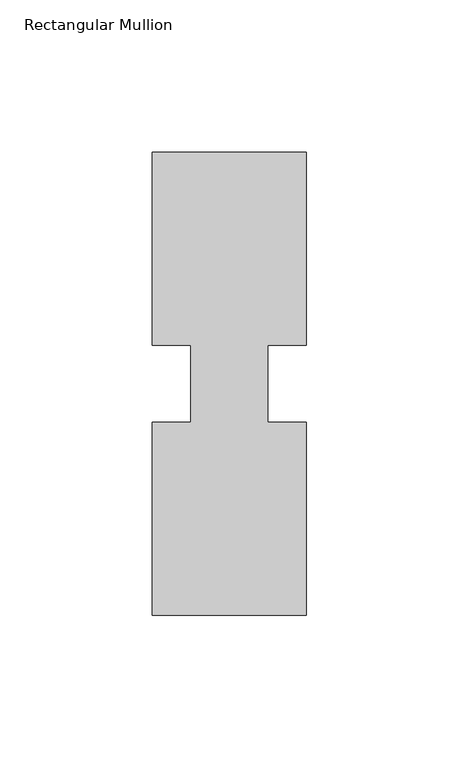
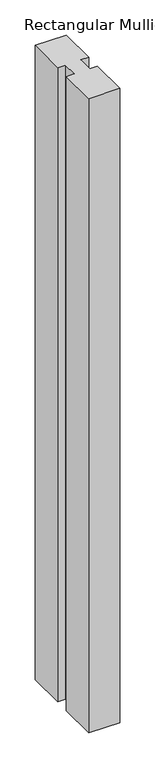
"""IFC4 building model written with IfcOpenShell, lengths in millimetres: member geometry, Rectangular Mullion."""

from ifc_helpers import new_model, si_unit, frame, origin, place, context, project, spatial, polyline, outline, extrude, source, transform, mapped, element, save


def rectangular_mullion_4fd5f363(model_context):
    return source(origin(), model_context, "Body", "SweptSolid", [
        extrude(outline(polyline([(29.7344027, 76.2), (29.7344027, 12.7), (17.0326322, 12.7), (17.0326322, -12.7), (29.7344027, -12.7), (29.7344027, -76.2), (-21.0655973, -76.2), (-21.0655973, -12.7), (-8.3655973, -12.7), (-8.3655973, 12.7), (-21.0655973, 12.7), (-21.0655973, 76.2), (29.7344027, 76.2)])), frame((0.0, 0.0, -1099.7094027), z_axis=(0.0, 0.0, 1.0), x_axis=(1.0, 0.0, 0.0)), (0.0, 0.0, 1.0), 1099.7094027),
    ])


if __name__ == "__main__":
    model = new_model("IFC4")
    model_context = context("Model", 3, world=origin())
    ifc_project = project(units=[si_unit("LENGTHUNIT", "METRE", prefix="MILLI")], contexts=[model_context])
    site = spatial("IfcSite", under=ifc_project)
    building = spatial("IfcBuilding", under=site)
    placement = place(None, origin())
    rectangular_mullion_shape = rectangular_mullion_4fd5f363(model_context)
    element("IfcMember", 1, ObjectType="Rectangular Mullion", at=placement, inside=building, context=model_context, shape_type="MappedRepresentation", body=[
        mapped(rectangular_mullion_shape, transform((0.0, 0.0, 0.0), x_axis=(1.0, 0.0, 0.0), y_axis=(0.0, 1.0, 0.0), z_axis=(0.0, 0.0, 1.0))),
    ])
    save(model, "model.ifc")
